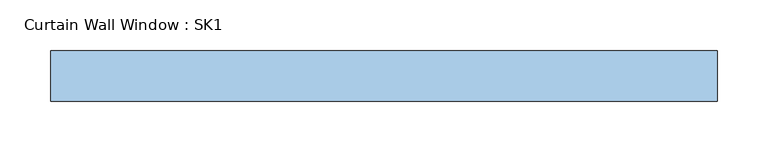
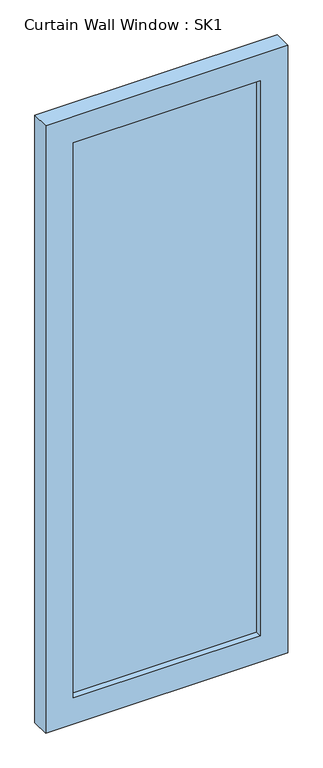
"""IFC4 building model written with IfcOpenShell, lengths in millimetres: window geometry, Curtain Wall Window : SK1."""

from ifc_helpers import new_model, si_unit, frame, origin, place, context, project, spatial, polyline, outline, extrude, source, transform, mapped, element, save


def curtain_wall_window_sk1_34d8258b(model_context):
    return source(origin(), model_context, "Body", "SweptSolid", [
        extrude(outline(polyline([(255.1681852, -44.05), (255.1681852, -56.75), (-255.1681852, -56.75), (-255.1681852, -44.05), (255.1681852, -44.05)])), frame((0.0, 0.0, 75.0), z_axis=(0.0, 0.0, 1.0), x_axis=(1.0, 0.0, 0.0)), (0.0, 0.0, 1.0), 1600.0),
        extrude(outline(polyline([(1750.0, -330.1681852), (0.0, -330.1681852), (0.0, 330.1681852), (1750.0, 330.1681852), (1750.0, -330.1681852)]), holes=[polyline([(1675.0, -255.1681852), (1675.0, 255.1681852), (75.0, 255.1681852), (75.0, -255.1681852), (1675.0, -255.1681852)])]), frame((0.0, -75.0, 0.0), z_axis=(0.0, 1.0, 0.0), x_axis=(0.0, 0.0, 1.0)), (0.0, 0.0, 1.0), 50.0),
    ])


if __name__ == "__main__":
    model = new_model("IFC4")
    model_context = context("Model", 3, world=origin())
    ifc_project = project(units=[si_unit("LENGTHUNIT", "METRE", prefix="MILLI")], contexts=[model_context])
    site = spatial("IfcSite", under=ifc_project)
    building = spatial("IfcBuilding", under=site)
    placement = place(None, origin())
    curtain_wall_window_sk1_shape = curtain_wall_window_sk1_34d8258b(model_context)
    element("IfcWindow", 1, ObjectType="Curtain Wall Window : SK1", at=placement, inside=building, context=model_context, shape_type="MappedRepresentation", body=[
        mapped(curtain_wall_window_sk1_shape, transform((0.0, 0.0, 0.0), x_axis=(1.0, 0.0, 0.0), y_axis=(0.0, 1.0, 0.0), z_axis=(0.0, 0.0, 1.0))),
    ])
    save(model, "model.ifc")
